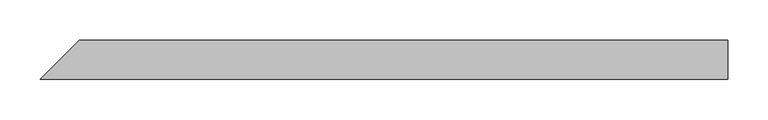
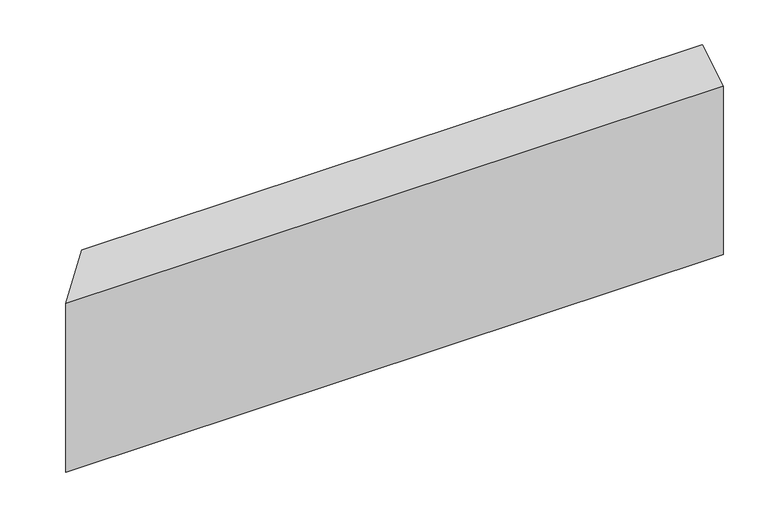
"""IFC4 building model written with IfcOpenShell, lengths in millimetres: beam geometry."""

from ifc_helpers import new_model, si_unit, origin, place, context, project, spatial, faceted_brep, source, transform, mapped, element, save


def beam_c0f6d049(model_context):
    return source(origin(), model_context, "Body", "Brep", [
        faceted_brep([(413.6254921, -24.0, 101.6136474), (-437.6254921, -24.0, 101.6136474), (-437.6254921, -24.0, -129.3264603), (413.6254921, -24.0, -129.3264603), (413.6254921, 24.0, 129.3264603), (413.6254921, 24.0, -101.6136474), (-389.6254921, 24.0, -101.6136474), (-389.6254921, 24.0, 129.3264603)], [[[0, 1, 2, 3]], [[4, 5, 6, 7]], [[5, 4, 0, 3]], [[6, 5, 3, 2]], [[7, 6, 2, 1]], [[4, 7, 1, 0]]]),
    ])


if __name__ == "__main__":
    model = new_model("IFC4")
    model_context = context("Model", 3, world=origin())
    ifc_project = project(units=[si_unit("LENGTHUNIT", "METRE", prefix="MILLI")], contexts=[model_context])
    site = spatial("IfcSite", under=ifc_project)
    building = spatial("IfcBuilding", under=site)
    placement = place(None, origin())
    beam_shape = beam_c0f6d049(model_context)
    element("IfcBeam", 1, at=placement, inside=building, context=model_context, shape_type="MappedRepresentation", body=[
        mapped(beam_shape, transform((0.0, 0.0, 0.0), x_axis=(1.0, 0.0, 0.0), y_axis=(0.0, 1.0, 0.0), z_axis=(0.0, 0.0, 1.0))),
    ])
    save(model, "model.ifc")
